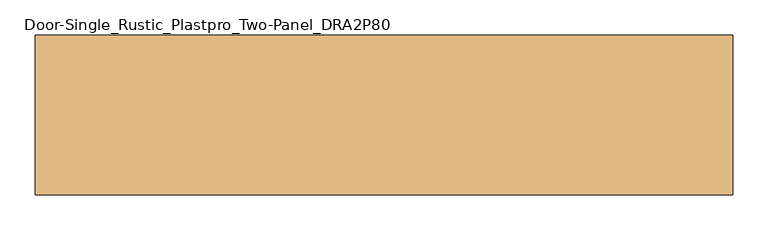
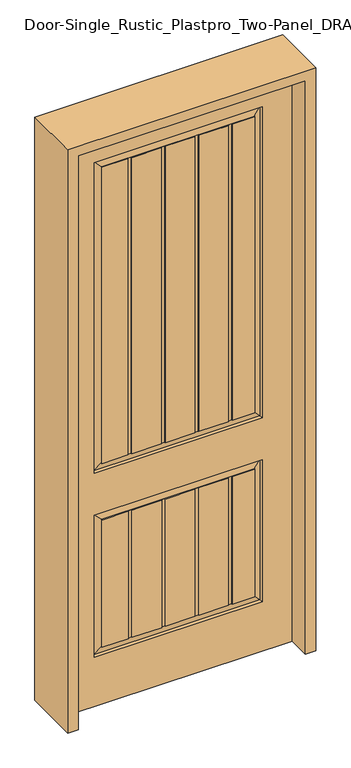
"""IFC4 building model written with IfcOpenShell, lengths in millimetres: door geometry, Door-Single_Rustic_Plastpro_Two-Panel_DRA2P80."""

from ifc_helpers import new_model, si_unit, frame, origin, place, context, project, spatial, polyline, outline, extrude, faceted_brep, source, transform, mapped, element, save


def door_single_rustic_plastpro_two_panel_dra2p80_abc7eece(model_context):
    return source(origin(), model_context, "Body", "SolidModel", [
        faceted_brep([(457.2, 20.6375, 0.0), (-457.2, 20.6375, 0.0), (-457.2, 20.6375, 2438.4), (457.2, 20.6375, 2438.4), (-338.1375, 20.6375, 990.6), (338.1375, 20.6375, 990.6), (338.1375, 20.6375, 2311.4), (-338.1375, 20.6375, 2311.4), (-338.1375, 20.6375, 209.55), (338.1375, 20.6375, 209.55), (338.1375, 20.6375, 812.8), (-338.1375, 20.6375, 812.8), (201.36158, 20.6375, 781.59283), (201.36158, 20.6375, 240.75717), (82.4002142, 20.6375, 240.75717), (82.4002142, 20.6375, 781.59283), (216.6412675, 20.6375, 240.75717), (216.6412675, 20.6375, 781.59283), (306.93033, 20.6375, 781.59283), (306.93033, 20.6375, 240.75717), (-67.1205267, 20.6375, 781.59283), (-67.1205267, 20.6375, 240.75717), (-186.0818925, 20.6375, 240.75717), (-186.0818925, 20.6375, 781.59283), (-51.8408392, 20.6375, 240.75717), (-51.8408392, 20.6375, 781.59283), (67.1205267, 20.6375, 781.59283), (67.1205267, 20.6375, 240.75717), (201.36158, 20.6375, 2280.19283), (201.36158, 20.6375, 1021.80717), (82.4002142, 20.6375, 1021.80717), (82.4002142, 20.6375, 2280.19283), (216.6412675, 20.6375, 1021.80717), (216.6412675, 20.6375, 2280.19283), (306.93033, 20.6375, 2280.19283), (306.93033, 20.6375, 1021.80717), (-67.1205267, 20.6375, 2280.19283), (-67.1205267, 20.6375, 1021.80717), (-186.0818925, 20.6375, 1021.80717), (-186.0818925, 20.6375, 2280.19283), (-51.8408392, 20.6375, 1021.80717), (-51.8408392, 20.6375, 2280.19283), (67.1205267, 20.6375, 2280.19283), (67.1205267, 20.6375, 1021.80717), (-201.36158, 20.6375, 2280.19283), (-201.36158, 20.6375, 1021.80717), (-306.93033, 20.6375, 1021.80717), (-306.93033, 20.6375, 2280.19283), (-201.36158, 20.6375, 781.59283), (-201.36158, 20.6375, 240.75717), (-306.93033, 20.6375, 240.75717), (-306.93033, 20.6375, 781.59283), (457.2, -20.6375, 0.0), (-457.2, -20.6375, 0.0), (-457.2, -20.6375, 2438.4), (457.2, -20.6375, 2438.4), (338.1375, -20.6375, 990.6), (-338.1375, -20.6375, 990.6), (-338.1375, -20.6375, 2311.4), (338.1375, -20.6375, 2311.4), (338.1375, -20.6375, 209.55), (-338.1375, -20.6375, 209.55), (-338.1375, -20.6375, 812.8), (338.1375, -20.6375, 812.8), (201.36158, -20.6375, 240.75717), (201.36158, -20.6375, 781.59283), (82.4002142, -20.6375, 781.59283), (82.4002142, -20.6375, 240.75717), (216.6412675, -20.6375, 781.59283), (216.6412675, -20.6375, 240.75717), (306.93033, -20.6375, 240.75717), (306.93033, -20.6375, 781.59283), (-67.1205267, -20.6375, 240.75717), (-67.1205267, -20.6375, 781.59283), (-186.0818925, -20.6375, 781.59283), (-186.0818925, -20.6375, 240.75717), (-51.8408392, -20.6375, 781.59283), (-51.8408392, -20.6375, 240.75717), (67.1205267, -20.6375, 240.75717), (67.1205267, -20.6375, 781.59283), (201.36158, -20.6375, 1021.80717), (201.36158, -20.6375, 2280.19283), (82.005985, -20.6375, 2280.19283), (82.005985, -20.6375, 1021.80717), (216.6412675, -20.6375, 2280.19283), (216.6412675, -20.6375, 1021.80717), (306.93033, -20.6375, 1021.80717), (306.93033, -20.6375, 2280.19283), (-67.908985, -20.6375, 1021.80717), (-67.908985, -20.6375, 2280.19283), (-187.26458, -20.6375, 2280.19283), (-187.26458, -20.6375, 1021.80717), (-52.6292975, -20.6375, 2280.19283), (-52.6292975, -20.6375, 1021.80717), (66.7262975, -20.6375, 1021.80717), (66.7262975, -20.6375, 2280.19283), (-202.5442675, -20.6375, 1021.80717), (-202.5442675, -20.6375, 2280.19283), (-306.93033, -20.6375, 2280.19283), (-306.93033, -20.6375, 1021.80717), (-201.36158, -20.6375, 240.75717), (-201.36158, -20.6375, 781.59283), (-306.93033, -20.6375, 781.59283), (-306.93033, -20.6375, 240.75717), (201.36158, 17.4625, 781.59283), (201.36158, 17.4625, 240.75717), (82.4002142, 17.4625, 240.75717), (82.4002142, 17.4625, 781.59283), (216.6412675, 17.4625, 240.75717), (216.6412675, 17.4625, 781.59283), (-67.1205267, 17.4625, 781.59283), (-67.1205267, 17.4625, 240.75717), (-51.8408392, 17.4625, 240.75717), (-51.8408392, 17.4625, 781.59283), (67.1205267, 17.4625, 781.59283), (67.1205267, 17.4625, 240.75717), (201.36158, 17.4625, 2280.19283), (201.36158, 17.4625, 1021.80717), (82.4002142, 17.4625, 1021.80717), (82.4002142, 17.4625, 2280.19283), (216.6412675, 17.4625, 1021.80717), (216.6412675, 17.4625, 2280.19283), (-67.1205267, 17.4625, 2280.19283), (-67.1205267, 17.4625, 1021.80717), (-51.8408392, 17.4625, 1021.80717), (-51.8408392, 17.4625, 2280.19283), (67.1205267, 17.4625, 2280.19283), (67.1205267, 17.4625, 1021.80717), (201.36158, -17.4625, 240.75717), (201.36158, -17.4625, 781.59283), (82.4002142, -17.4625, 781.59283), (82.4002142, -17.4625, 240.75717), (216.6412675, -17.4625, 781.59283), (216.6412675, -17.4625, 240.75717), (-67.1205267, -17.4625, 240.75717), (-67.1205267, -17.4625, 781.59283), (-51.8408392, -17.4625, 781.59283), (-51.8408392, -17.4625, 240.75717), (67.1205267, -17.4625, 240.75717), (67.1205267, -17.4625, 781.59283), (201.36158, -17.4625, 1021.80717), (201.36158, -17.4625, 2280.19283), (82.005985, -17.4625, 2280.19283), (82.005985, -17.4625, 1021.80717), (216.6412675, -17.4625, 2280.19283), (216.6412675, -17.4625, 1021.80717), (-67.908985, -17.4625, 1021.80717), (-67.908985, -17.4625, 2280.19283), (-52.6292975, -17.4625, 2280.19283), (-52.6292975, -17.4625, 1021.80717), (66.7262975, -17.4625, 1021.80717), (66.7262975, -17.4625, 2280.19283), (306.93033, 16.4079106, 240.75717), (-306.93033, 16.4079106, 240.75717), (-201.36158, 17.4625, 240.75717), (-186.0818925, 17.4625, 240.75717), (306.93033, 16.4079106, 781.59283), (-186.0818925, 17.4625, 781.59283), (-201.36158, 17.4625, 781.59283), (-306.93033, 16.4079106, 781.59283), (306.93033, 16.4079106, 1021.80717), (-306.93033, 16.4079106, 1021.80717), (-201.36158, 17.4625, 1021.80717), (-186.0818925, 17.4625, 1021.80717), (306.93033, 16.4079106, 2280.19283), (-186.0818925, 17.4625, 2280.19283), (-333.918693, 11.1619043, 994.818807), (333.918693, 11.1619043, 994.818807), (333.918693, 11.1619043, 2307.181193), (-333.918693, 11.1619043, 2307.181193), (-333.918693, 11.1619043, 213.768807), (333.918693, 11.1619043, 213.768807), (333.918693, 11.1619043, 808.581193), (-333.918693, 11.1619043, 808.581193), (-201.36158, 17.4625, 2280.19283), (-306.93033, 16.4079106, 2280.19283), (306.93033, -16.4079106, 781.59283), (-306.93033, -16.4079106, 781.59283), (-201.36158, -17.4625, 781.59283), (-186.0818925, -17.4625, 781.59283), (-306.93033, -16.4079106, 240.75717), (306.93033, -16.4079106, 240.75717), (-186.0818925, -17.4625, 240.75717), (-201.36158, -17.4625, 240.75717), (-306.93033, -16.4079106, 1021.80717), (306.93033, -16.4079106, 1021.80717), (-187.26458, -17.4625, 1021.80717), (-202.5442675, -17.4625, 1021.80717), (306.93033, -16.4079106, 2280.19283), (-187.26458, -17.4625, 2280.19283), (333.918693, -11.1619043, 994.818807), (-333.918693, -11.1619043, 994.818807), (-333.918693, -11.1619043, 2307.181193), (333.918693, -11.1619043, 2307.181193), (333.918693, -11.1619043, 213.768807), (-333.918693, -11.1619043, 213.768807), (-333.918693, -11.1619043, 808.581193), (333.918693, -11.1619043, 808.581193), (-202.5442675, -17.4625, 2280.19283), (-306.93033, -16.4079106, 2280.19283)], [[[0, 1, 2, 3], [4, 5, 6, 7], [8, 9, 10, 11]], [[12, 13, 14, 15]], [[16, 17, 18, 19]], [[20, 21, 22, 23]], [[24, 25, 26, 27]], [[28, 29, 30, 31]], [[32, 33, 34, 35]], [[36, 37, 38, 39]], [[40, 41, 42, 43]], [[44, 45, 46, 47]], [[48, 49, 50, 51]], [[1, 0, 52, 53]], [[2, 1, 53, 54]], [[0, 3, 55, 52]], [[53, 52, 55, 54], [56, 57, 58, 59], [60, 61, 62, 63]], [[64, 65, 66, 67]], [[68, 69, 70, 71]], [[72, 73, 74, 75]], [[76, 77, 78, 79]], [[80, 81, 82, 83]], [[84, 85, 86, 87]], [[88, 89, 90, 91]], [[92, 93, 94, 95]], [[96, 97, 98, 99]], [[100, 101, 102, 103]], [[3, 2, 54, 55]], [[13, 12, 104, 105]], [[15, 14, 106, 107]], [[17, 16, 108, 109]], [[21, 20, 110, 111]], [[25, 24, 112, 113]], [[27, 26, 114, 115]], [[29, 28, 116, 117]], [[31, 30, 118, 119]], [[33, 32, 120, 121]], [[37, 36, 122, 123]], [[41, 40, 124, 125]], [[43, 42, 126, 127]], [[65, 64, 128, 129]], [[67, 66, 130, 131]], [[69, 68, 132, 133]], [[73, 72, 134, 135]], [[77, 76, 136, 137]], [[79, 78, 138, 139]], [[81, 80, 140, 141]], [[83, 82, 142, 143]], [[85, 84, 144, 145]], [[89, 88, 146, 147]], [[93, 92, 148, 149]], [[95, 94, 150, 151]], [[129, 128, 133, 132]], [[135, 134, 137, 136]], [[139, 138, 131, 130]], [[105, 104, 109, 108]], [[111, 110, 113, 112]], [[115, 114, 107, 106]], [[141, 140, 145, 144]], [[147, 146, 149, 148]], [[151, 150, 143, 142]], [[117, 116, 121, 120]], [[123, 122, 125, 124]], [[127, 126, 119, 118]], [[152, 153, 50, 49, 154, 155, 22, 21, 111, 112, 24, 27, 115, 106, 14, 13, 105, 108, 16, 19]], [[156, 18, 17, 109, 104, 12, 15, 107, 114, 26, 25, 113, 110, 20, 23, 157, 158, 48, 51, 159]], [[152, 19, 18, 156]], [[23, 22, 155, 157]], [[160, 161, 46, 45, 162, 163, 38, 37, 123, 124, 40, 43, 127, 118, 30, 29, 117, 120, 32, 35]], [[160, 35, 34, 164]], [[39, 38, 163, 165]], [[166, 167, 5, 4]], [[5, 167, 168, 6]], [[166, 4, 7, 169]], [[170, 171, 9, 8]], [[9, 171, 172, 10]], [[10, 172, 173, 11]], [[170, 8, 11, 173]], [[45, 44, 174, 162]], [[46, 161, 175, 47]], [[49, 48, 158, 154]], [[50, 153, 159, 51]], [[71, 176, 177, 102, 101, 178, 179, 74, 73, 135, 136, 76, 79, 139, 130, 66, 65, 129, 132, 68]], [[180, 181, 70, 69, 133, 128, 64, 67, 131, 138, 78, 77, 137, 134, 72, 75, 182, 183, 100, 103]], [[70, 181, 176, 71]], [[75, 74, 179, 182]], [[184, 185, 86, 85, 145, 140, 80, 83, 143, 150, 94, 93, 149, 146, 88, 91, 186, 187, 96, 99]], [[86, 185, 188, 87]], [[91, 90, 189, 186]], [[56, 190, 191, 57]], [[57, 191, 192, 58]], [[190, 56, 59, 193]], [[60, 194, 195, 61]], [[61, 195, 196, 62]], [[197, 63, 62, 196]], [[194, 60, 63, 197]], [[97, 96, 187, 198]], [[184, 99, 98, 199]], [[101, 100, 183, 178]], [[180, 103, 102, 177]], [[191, 190, 185, 184]], [[198, 187, 186, 189]], [[185, 190, 193, 188]], [[191, 184, 199, 192]], [[161, 160, 167, 166]], [[167, 160, 164, 168]], [[161, 166, 169, 175]], [[162, 174, 165, 163]], [[195, 194, 181, 180]], [[178, 183, 182, 179]], [[181, 194, 197, 176]], [[195, 180, 177, 196]], [[153, 152, 171, 170]], [[171, 152, 156, 172]], [[153, 170, 173, 159]], [[154, 158, 157, 155]], [[176, 197, 196, 177]], [[172, 156, 159, 173]], [[6, 168, 169, 7]], [[193, 59, 58, 192]], [[188, 193, 192, 199]], [[168, 164, 175, 169]], [[87, 188, 199, 98, 97, 198, 189, 90, 89, 147, 148, 92, 95, 151, 142, 82, 81, 141, 144, 84]], [[164, 34, 33, 121, 116, 28, 31, 119, 126, 42, 41, 125, 122, 36, 39, 165, 174, 44, 47, 175]]]),
        extrude(outline(polyline([(2479.675, -498.475), (0.0, -498.475), (0.0, -457.2), (2438.4, -457.2), (2438.4, 457.2), (0.0, 457.2), (0.0, 498.475), (2479.675, 498.475), (2479.675, -498.475)])), frame((0.0, -114.3, 0.0), z_axis=(0.0, 1.0, 0.0), x_axis=(0.0, 0.0, 1.0)), (0.0, 0.0, 1.0), 228.6),
    ])


if __name__ == "__main__":
    model = new_model("IFC4")
    model_context = context("Model", 3, world=origin())
    ifc_project = project(units=[si_unit("LENGTHUNIT", "METRE", prefix="MILLI")], contexts=[model_context])
    site = spatial("IfcSite", under=ifc_project)
    building = spatial("IfcBuilding", under=site)
    placement = place(None, origin())
    door_single_rustic_plastpro_two_panel_dra2p80_shape = door_single_rustic_plastpro_two_panel_dra2p80_abc7eece(model_context)
    element("IfcDoor", 1, ObjectType="Door-Single_Rustic_Plastpro_Two-Panel_DRA2P80", at=placement, inside=building, context=model_context, shape_type="MappedRepresentation", body=[
        mapped(door_single_rustic_plastpro_two_panel_dra2p80_shape, transform((0.0, 0.0, 0.0), x_axis=(1.0, 0.0, 0.0), y_axis=(0.0, 1.0, 0.0), z_axis=(0.0, 0.0, 1.0))),
    ])
    save(model, "model.ifc")
